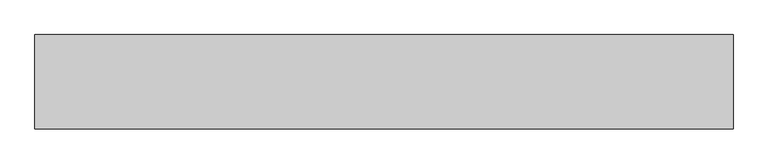
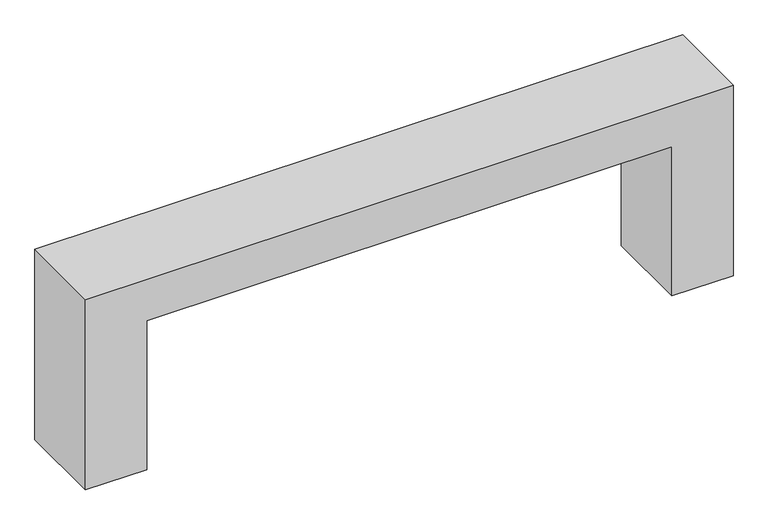
"""IFC4 building model written with IfcOpenShell, lengths in millimetres: proxy geometry."""

from ifc_helpers import new_model, si_unit, frame, origin, place, context, project, spatial, polyline, outline, extrude, source, transform, mapped, element, save


def generic_models_72fe8b9a(model_context):
    return source(origin(), model_context, "Body", "SweptSolid", [
        extrude(outline(polyline([(4600.0, -14545.9784025), (4600.0, -29345.9784025), (0.0, -29345.9784025), (0.0, -27945.9784025), (3600.0, -27945.9784025), (3600.0, -15945.9784025), (0.0, -15945.9784025), (0.0, -14545.9784025), (4600.0, -14545.9784025)])), frame((0.0, -5550.3131013, 0.0), z_axis=(0.0, 1.0, 0.0), x_axis=(0.0, 0.0, 1.0)), (0.0, 0.0, 1.0), 2000.0),
    ])


if __name__ == "__main__":
    model = new_model("IFC4")
    model_context = context("Model", 3, world=origin())
    ifc_project = project(units=[si_unit("LENGTHUNIT", "METRE", prefix="MILLI")], contexts=[model_context])
    site = spatial("IfcSite", under=ifc_project)
    building = spatial("IfcBuilding", under=site)
    placement = place(None, origin())
    generic_models_shape = generic_models_72fe8b9a(model_context)
    element("IfcBuildingElementProxy", 1, Name="Generic Models", at=placement, inside=building, context=model_context, shape_type="MappedRepresentation", body=[
        mapped(generic_models_shape, transform((0.0, 0.0, 0.0), x_axis=(1.0, 0.0, 0.0), y_axis=(0.0, 1.0, 0.0), z_axis=(0.0, 0.0, 1.0))),
    ])
    save(model, "model.ifc")
